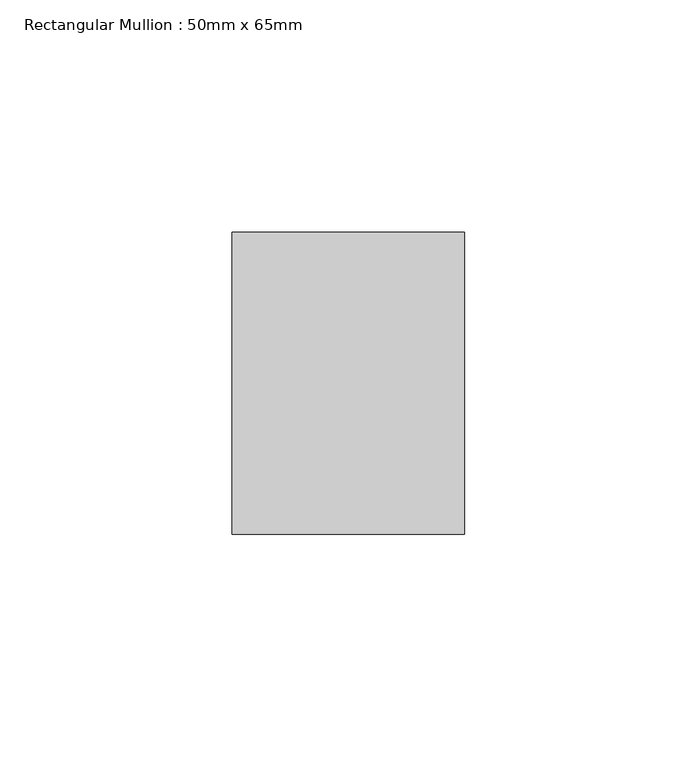
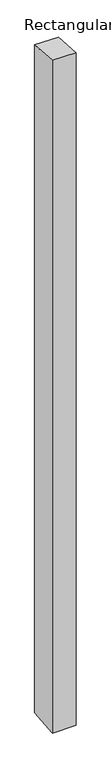
"""IFC4 building model written with IfcOpenShell, lengths in millimetres: member geometry, Rectangular Mullion : 50mm x 65mm."""

from ifc_helpers import new_model, si_unit, origin, place, context, project, spatial, faceted_brep, source, transform, mapped, element, save


def rectangular_mullion_50mm_x_65mm_7fa3d964(model_context):
    return source(origin(), model_context, "Body", "Brep", [
        faceted_brep([(-25.0, 32.5, -2.4319575), (25.0, 32.5, -2.431942), (25.0, 32.5, -1497.0089434), (-25.0, 32.5, -1497.0089243), (-25.0, -32.5, 2.431942), (-25.0, -32.5, -1502.9912373), (25.0, -32.5, 2.4319575), (25.0, -32.5, -1502.9912564)], [[[0, 1, 2, 3]], [[4, 0, 3, 5]], [[6, 4, 5, 7]], [[1, 6, 7, 2]], [[1, 0, 4, 6]], [[2, 7, 5, 3]]]),
    ])


if __name__ == "__main__":
    model = new_model("IFC4")
    model_context = context("Model", 3, world=origin())
    ifc_project = project(units=[si_unit("LENGTHUNIT", "METRE", prefix="MILLI")], contexts=[model_context])
    site = spatial("IfcSite", under=ifc_project)
    building = spatial("IfcBuilding", under=site)
    placement = place(None, origin())
    rectangular_mullion_50mm_x_65mm_shape = rectangular_mullion_50mm_x_65mm_7fa3d964(model_context)
    element("IfcMember", 1, ObjectType="Rectangular Mullion : 50mm x 65mm", at=placement, inside=building, context=model_context, shape_type="MappedRepresentation", body=[
        mapped(rectangular_mullion_50mm_x_65mm_shape, transform((0.0, 0.0, 0.0), x_axis=(1.0, 0.0, 0.0), y_axis=(0.0, 1.0, 0.0), z_axis=(0.0, 0.0, 1.0))),
    ])
    save(model, "model.ifc")
